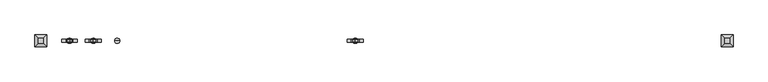
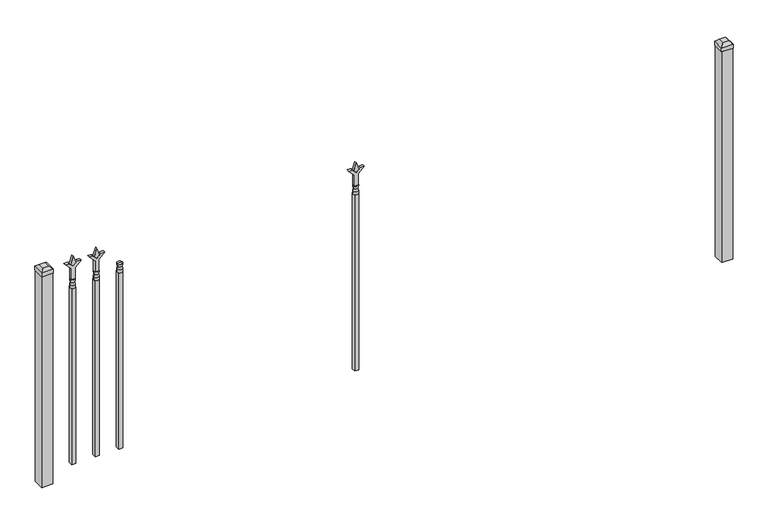
"""IFC4 building model written with IfcOpenShell, lengths in millimetres: railing geometry."""

from ifc_helpers import new_model, si_unit, frame, origin, origin_with_axes, place, context, project, spatial, polyline, circle_curve, outline, extrude, faceted_brep, source, transform, mapped, element, save
from ifc_brep_helpers import plane_surface, cylinder_surface, revolved_surface, advanced_brep


def railing_ffb34f2f(model_context):
    return source(origin(), model_context, "Body", "SolidModel", [
        advanced_brep(
        [(-85367.1035036, -6731.2570174, 927.1), (-85390.9160036, -6731.2570174, 927.1), (-85390.9160036, -6731.2570174, 914.4), (-85367.1035036, -6731.2570174, 914.4), (-85369.3088355, -6731.2570174, 939.6070585), (-85388.7106718, -6731.2570174, 939.6070585), (-85367.1035036, -6731.2570174, 955.675), (-85390.9160036, -6731.2570174, 955.675), (-85379.0097536, -6731.2570174, 955.675), (-85379.0097536, -6731.2570174, 914.4)],
        [
            (0, 1, circle_curve(frame((-85379.0097536, -6731.2570174, 927.1), z_axis=(0.0, 0.0, -1.0), x_axis=(-1.0, 0.0, 0.0)), 11.90625)),
            (1, 2),
            (2, 3, circle_curve(frame((-85379.0097536, -6731.2570174, 914.4), z_axis=(0.0, 0.0, 1.0), x_axis=(-1.0, 0.0, 0.0)), 11.90625)),
            (3, 0),
            (1, 0, circle_curve(frame((-85379.0097536, -6731.2570174, 927.1), z_axis=(0.0, 0.0, -1.0), x_axis=(-1.0, 0.0, 0.0)), 11.90625)),
            (3, 2, circle_curve(frame((-85379.0097536, -6731.2570174, 914.4), z_axis=(0.0, 0.0, 1.0), x_axis=(-1.0, 0.0, 0.0)), 11.90625)),
            (4, 5, circle_curve(frame((-85379.0097536, -6731.2570174, 939.6070585), z_axis=(0.0, 0.0, -1.0), x_axis=(-1.0, 0.0, 0.0)), 9.7009181)),
            (5, 1),
            (0, 4),
            (5, 4, circle_curve(frame((-85379.0097536, -6731.2570174, 939.6070585), z_axis=(0.0, 0.0, -1.0), x_axis=(-1.0, 0.0, 0.0)), 9.7009181)),
            (6, 7, circle_curve(frame((-85379.0097536, -6731.2570174, 955.675), z_axis=(0.0, 0.0, -1.0), x_axis=(-1.0, 0.0, 0.0)), 11.90625)),
            (7, 5),
            (4, 6),
            (7, 6, circle_curve(frame((-85379.0097536, -6731.2570174, 955.675), z_axis=(0.0, 0.0, -1.0), x_axis=(-1.0, 0.0, 0.0)), 11.90625)),
            (8, 7),
            (6, 8),
            (2, 9),
            (9, 3),
        ],
        [
            cylinder_surface(frame((-85379.0097536, -6731.2570174, 914.4), z_axis=(0.0, 0.0, 1.0), x_axis=(-1.0, 0.0, 0.0)), 11.90625),
            revolved_surface(polyline([(-85390.9160036, -6731.2570174, 927.1), (-85388.7106718, -6731.2570174, 939.6070585)]), (-85379.0097536, -6731.2570174, 914.4), (0.0, 0.0, 1.0)),
            revolved_surface(polyline([(-85388.7106718, -6731.2570174, 939.6070585), (-85390.9160036, -6731.2570174, 955.675)]), (-85379.0097536, -6731.2570174, 914.4), (0.0, 0.0, 1.0)),
            plane_surface(frame((-85379.0097536, -6731.2570174, 955.675), z_axis=(0.0, 0.0, 1.0), x_axis=(-1.0, 0.0, 0.0))),
            plane_surface(frame((-85379.0097536, -6731.2570174, 914.4), z_axis=(0.0, 0.0, -1.0), x_axis=(-1.0, 0.0, 0.0))),
        ],
        [
            (0, [[1, 2, 3, 4]]),
            (0, [[5, -4, 6, -2]]),
            (1, [[7, 8, -1, 9]]),
            (1, [[10, -9, -5, -8]]),
            (2, [[11, 12, -7, 13]]),
            (2, [[14, -13, -10, -12]]),
            (3, [[15, -11, 16]]),
            (3, [[-16, -14, -15]]),
            (4, [[-3, 17, 18]]),
            (4, [[-6, -18, -17]]),
        ],
    ),
        extrude(outline(polyline([(-85388.5347536, -6721.7320174), (-85369.4847536, -6721.7320174), (-85369.4847536, -6740.7820174), (-85388.5347536, -6740.7820174), (-85388.5347536, -6721.7320174)])), frame((0.0, 0.0, 50.8), z_axis=(0.0, 0.0, 1.0), x_axis=(1.0, 0.0, 0.0)), (0.0, 0.0, 1.0), 863.6),
        extrude(outline(polyline([(1031.08125, -85476.3764203), (1066.8, -85488.2826703), (1031.08125, -85500.1889203), (1019.175, -85488.2826703), (1031.08125, -85476.3764203)])), frame((0.0, -6736.0195174, 0.0), z_axis=(0.0, 1.0, 0.0), x_axis=(0.0, 0.0, 1.0)), (0.0, 0.0, 1.0), 9.525),
        extrude(outline(polyline([(955.675, -85479.5514203), (1009.9457378, -85479.5514203), (1037.1355122, -85452.3616458), (1037.1355122, -85470.3221581), (1019.175, -85488.2826703), (1037.1355122, -85506.2431825), (1037.1355122, -85524.2036948), (1009.9457378, -85497.0139203), (955.675, -85497.0139203), (955.675, -85479.5514203)])), frame((0.0, -6737.6070174, 0.0), z_axis=(0.0, 1.0, 0.0), x_axis=(0.0, 0.0, 1.0)), (0.0, 0.0, 1.0), 12.7),
        advanced_brep(
        [(-85476.3764203, -6731.2570174, 927.1), (-85500.1889203, -6731.2570174, 927.1), (-85500.1889203, -6731.2570174, 914.4), (-85476.3764203, -6731.2570174, 914.4), (-85478.5817522, -6731.2570174, 939.6070585), (-85497.9835884, -6731.2570174, 939.6070585), (-85476.3764203, -6731.2570174, 955.675), (-85500.1889203, -6731.2570174, 955.675), (-85488.2826703, -6731.2570174, 955.675), (-85488.2826703, -6731.2570174, 914.4)],
        [
            (0, 1, circle_curve(frame((-85488.2826703, -6731.2570174, 927.1), z_axis=(0.0, 0.0, -1.0), x_axis=(-1.0, 0.0, 0.0)), 11.90625)),
            (1, 2),
            (2, 3, circle_curve(frame((-85488.2826703, -6731.2570174, 914.4), z_axis=(0.0, 0.0, 1.0), x_axis=(-1.0, 0.0, 0.0)), 11.90625)),
            (3, 0),
            (1, 0, circle_curve(frame((-85488.2826703, -6731.2570174, 927.1), z_axis=(0.0, 0.0, -1.0), x_axis=(-1.0, 0.0, 0.0)), 11.90625)),
            (3, 2, circle_curve(frame((-85488.2826703, -6731.2570174, 914.4), z_axis=(0.0, 0.0, 1.0), x_axis=(-1.0, 0.0, 0.0)), 11.90625)),
            (4, 5, circle_curve(frame((-85488.2826703, -6731.2570174, 939.6070585), z_axis=(0.0, 0.0, -1.0), x_axis=(-1.0, 0.0, 0.0)), 9.7009181)),
            (5, 1),
            (0, 4),
            (5, 4, circle_curve(frame((-85488.2826703, -6731.2570174, 939.6070585), z_axis=(0.0, 0.0, -1.0), x_axis=(-1.0, 0.0, 0.0)), 9.7009181)),
            (6, 7, circle_curve(frame((-85488.2826703, -6731.2570174, 955.675), z_axis=(0.0, 0.0, -1.0), x_axis=(-1.0, 0.0, 0.0)), 11.90625)),
            (7, 5),
            (4, 6),
            (7, 6, circle_curve(frame((-85488.2826703, -6731.2570174, 955.675), z_axis=(0.0, 0.0, -1.0), x_axis=(-1.0, 0.0, 0.0)), 11.90625)),
            (8, 7),
            (6, 8),
            (2, 9),
            (9, 3),
        ],
        [
            cylinder_surface(frame((-85488.2826703, -6731.2570174, 914.4), z_axis=(0.0, 0.0, 1.0), x_axis=(-1.0, 0.0, 0.0)), 11.90625),
            revolved_surface(polyline([(-85500.1889203, -6731.2570174, 927.1), (-85497.9835884, -6731.2570174, 939.6070585)]), (-85488.2826703, -6731.2570174, 914.4), (0.0, 0.0, 1.0)),
            revolved_surface(polyline([(-85497.9835884, -6731.2570174, 939.6070585), (-85500.1889203, -6731.2570174, 955.675)]), (-85488.2826703, -6731.2570174, 914.4), (0.0, 0.0, 1.0)),
            plane_surface(frame((-85488.2826703, -6731.2570174, 955.675), z_axis=(0.0, 0.0, 1.0), x_axis=(-1.0, 0.0, 0.0))),
            plane_surface(frame((-85488.2826703, -6731.2570174, 914.4), z_axis=(0.0, 0.0, -1.0), x_axis=(-1.0, 0.0, 0.0))),
        ],
        [
            (0, [[1, 2, 3, 4]]),
            (0, [[5, -4, 6, -2]]),
            (1, [[7, 8, -1, 9]]),
            (1, [[10, -9, -5, -8]]),
            (2, [[11, 12, -7, 13]]),
            (2, [[14, -13, -10, -12]]),
            (3, [[15, -11, 16]]),
            (3, [[-16, -14, -15]]),
            (4, [[-3, 17, 18]]),
            (4, [[-6, -18, -17]]),
        ],
    ),
        extrude(outline(polyline([(-85497.8076703, -6721.7320174), (-85478.7576703, -6721.7320174), (-85478.7576703, -6740.7820174), (-85497.8076703, -6740.7820174), (-85497.8076703, -6721.7320174)])), frame((0.0, 0.0, 50.8), z_axis=(0.0, 0.0, 1.0), x_axis=(1.0, 0.0, 0.0)), (0.0, 0.0, 1.0), 863.6),
        extrude(outline(polyline([(1031.08125, -84274.374337), (1066.8, -84286.280587), (1031.08125, -84298.186837), (1019.175, -84286.280587), (1031.08125, -84274.374337)])), frame((0.0, -6736.0195174, 0.0), z_axis=(0.0, 1.0, 0.0), x_axis=(0.0, 0.0, 1.0)), (0.0, 0.0, 1.0), 9.525),
        extrude(outline(polyline([(955.675, -84277.549337), (1009.9457378, -84277.549337), (1037.1355122, -84250.3595625), (1037.1355122, -84268.3200747), (1019.175, -84286.280587), (1037.1355122, -84304.2410992), (1037.1355122, -84322.2016114), (1009.9457378, -84295.011837), (955.675, -84295.011837), (955.675, -84277.549337)])), frame((0.0, -6737.6070174, 0.0), z_axis=(0.0, 1.0, 0.0), x_axis=(0.0, 0.0, 1.0)), (0.0, 0.0, 1.0), 12.7),
        advanced_brep(
        [(-84274.374337, -6731.2570174, 927.1), (-84298.186837, -6731.2570174, 927.1), (-84298.186837, -6731.2570174, 914.4), (-84274.374337, -6731.2570174, 914.4), (-84276.5796688, -6731.2570174, 939.6070585), (-84295.9815051, -6731.2570174, 939.6070585), (-84274.374337, -6731.2570174, 955.675), (-84298.186837, -6731.2570174, 955.675), (-84286.280587, -6731.2570174, 955.675), (-84286.280587, -6731.2570174, 914.4)],
        [
            (0, 1, circle_curve(frame((-84286.280587, -6731.2570174, 927.1), z_axis=(0.0, 0.0, -1.0), x_axis=(-1.0, 0.0, 0.0)), 11.90625)),
            (1, 2),
            (2, 3, circle_curve(frame((-84286.280587, -6731.2570174, 914.4), z_axis=(0.0, 0.0, 1.0), x_axis=(-1.0, 0.0, 0.0)), 11.90625)),
            (3, 0),
            (1, 0, circle_curve(frame((-84286.280587, -6731.2570174, 927.1), z_axis=(0.0, 0.0, -1.0), x_axis=(-1.0, 0.0, 0.0)), 11.90625)),
            (3, 2, circle_curve(frame((-84286.280587, -6731.2570174, 914.4), z_axis=(0.0, 0.0, 1.0), x_axis=(-1.0, 0.0, 0.0)), 11.90625)),
            (4, 5, circle_curve(frame((-84286.280587, -6731.2570174, 939.6070585), z_axis=(0.0, 0.0, -1.0), x_axis=(-1.0, 0.0, 0.0)), 9.7009181)),
            (5, 1),
            (0, 4),
            (5, 4, circle_curve(frame((-84286.280587, -6731.2570174, 939.6070585), z_axis=(0.0, 0.0, -1.0), x_axis=(-1.0, 0.0, 0.0)), 9.7009181)),
            (6, 7, circle_curve(frame((-84286.280587, -6731.2570174, 955.675), z_axis=(0.0, 0.0, -1.0), x_axis=(-1.0, 0.0, 0.0)), 11.90625)),
            (7, 5),
            (4, 6),
            (7, 6, circle_curve(frame((-84286.280587, -6731.2570174, 955.675), z_axis=(0.0, 0.0, -1.0), x_axis=(-1.0, 0.0, 0.0)), 11.90625)),
            (8, 7),
            (6, 8),
            (2, 9),
            (9, 3),
        ],
        [
            cylinder_surface(frame((-84286.280587, -6731.2570174, 914.4), z_axis=(0.0, 0.0, 1.0), x_axis=(-1.0, 0.0, 0.0)), 11.90625),
            revolved_surface(polyline([(-84298.186837, -6731.2570174, 927.1), (-84295.9815051, -6731.2570174, 939.6070585)]), (-84286.280587, -6731.2570174, 914.4), (0.0, 0.0, 1.0)),
            revolved_surface(polyline([(-84295.9815051, -6731.2570174, 939.6070585), (-84298.186837, -6731.2570174, 955.675)]), (-84286.280587, -6731.2570174, 914.4), (0.0, 0.0, 1.0)),
            plane_surface(frame((-84286.280587, -6731.2570174, 955.675), z_axis=(0.0, 0.0, 1.0), x_axis=(-1.0, 0.0, 0.0))),
            plane_surface(frame((-84286.280587, -6731.2570174, 914.4), z_axis=(0.0, 0.0, -1.0), x_axis=(-1.0, 0.0, 0.0))),
        ],
        [
            (0, [[1, 2, 3, 4]]),
            (0, [[5, -4, 6, -2]]),
            (1, [[7, 8, -1, 9]]),
            (1, [[10, -9, -5, -8]]),
            (2, [[11, 12, -7, 13]]),
            (2, [[14, -13, -10, -12]]),
            (3, [[15, -11, 16]]),
            (3, [[-16, -14, -15]]),
            (4, [[-3, 17, 18]]),
            (4, [[-6, -18, -17]]),
        ],
    ),
        extrude(outline(polyline([(-84295.805587, -6721.7320174), (-84276.755587, -6721.7320174), (-84276.755587, -6740.7820174), (-84295.805587, -6740.7820174), (-84295.805587, -6721.7320174)])), frame((0.0, 0.0, 50.8), z_axis=(0.0, 0.0, 1.0), x_axis=(1.0, 0.0, 0.0)), (0.0, 0.0, 1.0), 863.6),
        extrude(outline(polyline([(1031.08125, -85585.649337), (1066.8, -85597.555587), (1031.08125, -85609.461837), (1019.175, -85597.555587), (1031.08125, -85585.649337)])), frame((0.0, -6736.0195174, 0.0), z_axis=(0.0, 1.0, 0.0), x_axis=(0.0, 0.0, 1.0)), (0.0, 0.0, 1.0), 9.525),
        extrude(outline(polyline([(955.675, -85588.824337), (1009.9457378, -85588.824337), (1037.1355122, -85561.6345625), (1037.1355122, -85579.5950747), (1019.175, -85597.555587), (1037.1355122, -85615.5160992), (1037.1355122, -85633.4766114), (1009.9457378, -85606.286837), (955.675, -85606.286837), (955.675, -85588.824337)])), frame((0.0, -6737.6070174, 0.0), z_axis=(0.0, 1.0, 0.0), x_axis=(0.0, 0.0, 1.0)), (0.0, 0.0, 1.0), 12.7),
        advanced_brep(
        [(-85585.649337, -6731.2570174, 927.1), (-85609.461837, -6731.2570174, 927.1), (-85609.461837, -6731.2570174, 914.4), (-85585.649337, -6731.2570174, 914.4), (-85587.8546688, -6731.2570174, 939.6070585), (-85607.2565051, -6731.2570174, 939.6070585), (-85585.649337, -6731.2570174, 955.675), (-85609.461837, -6731.2570174, 955.675), (-85597.555587, -6731.2570174, 955.675), (-85597.555587, -6731.2570174, 914.4)],
        [
            (0, 1, circle_curve(frame((-85597.555587, -6731.2570174, 927.1), z_axis=(0.0, 0.0, -1.0), x_axis=(-1.0, 0.0, 0.0)), 11.90625)),
            (1, 2),
            (2, 3, circle_curve(frame((-85597.555587, -6731.2570174, 914.4), z_axis=(0.0, 0.0, 1.0), x_axis=(-1.0, 0.0, 0.0)), 11.90625)),
            (3, 0),
            (1, 0, circle_curve(frame((-85597.555587, -6731.2570174, 927.1), z_axis=(0.0, 0.0, -1.0), x_axis=(-1.0, 0.0, 0.0)), 11.90625)),
            (3, 2, circle_curve(frame((-85597.555587, -6731.2570174, 914.4), z_axis=(0.0, 0.0, 1.0), x_axis=(-1.0, 0.0, 0.0)), 11.90625)),
            (4, 5, circle_curve(frame((-85597.555587, -6731.2570174, 939.6070585), z_axis=(0.0, 0.0, -1.0), x_axis=(-1.0, 0.0, 0.0)), 9.7009181)),
            (5, 1),
            (0, 4),
            (5, 4, circle_curve(frame((-85597.555587, -6731.2570174, 939.6070585), z_axis=(0.0, 0.0, -1.0), x_axis=(-1.0, 0.0, 0.0)), 9.7009181)),
            (6, 7, circle_curve(frame((-85597.555587, -6731.2570174, 955.675), z_axis=(0.0, 0.0, -1.0), x_axis=(-1.0, 0.0, 0.0)), 11.90625)),
            (7, 5),
            (4, 6),
            (7, 6, circle_curve(frame((-85597.555587, -6731.2570174, 955.675), z_axis=(0.0, 0.0, -1.0), x_axis=(-1.0, 0.0, 0.0)), 11.90625)),
            (8, 7),
            (6, 8),
            (2, 9),
            (9, 3),
        ],
        [
            cylinder_surface(frame((-85597.555587, -6731.2570174, 914.4), z_axis=(0.0, 0.0, 1.0), x_axis=(-1.0, 0.0, 0.0)), 11.90625),
            revolved_surface(polyline([(-85609.461837, -6731.2570174, 927.1), (-85607.2565051, -6731.2570174, 939.6070585)]), (-85597.555587, -6731.2570174, 914.4), (0.0, 0.0, 1.0)),
            revolved_surface(polyline([(-85607.2565051, -6731.2570174, 939.6070585), (-85609.461837, -6731.2570174, 955.675)]), (-85597.555587, -6731.2570174, 914.4), (0.0, 0.0, 1.0)),
            plane_surface(frame((-85597.555587, -6731.2570174, 955.675), z_axis=(0.0, 0.0, 1.0), x_axis=(-1.0, 0.0, 0.0))),
            plane_surface(frame((-85597.555587, -6731.2570174, 914.4), z_axis=(0.0, 0.0, -1.0), x_axis=(-1.0, 0.0, 0.0))),
        ],
        [
            (0, [[1, 2, 3, 4]]),
            (0, [[5, -4, 6, -2]]),
            (1, [[7, 8, -1, 9]]),
            (1, [[10, -9, -5, -8]]),
            (2, [[11, 12, -7, 13]]),
            (2, [[14, -13, -10, -12]]),
            (3, [[15, -11, 16]]),
            (3, [[-16, -14, -15]]),
            (4, [[-3, 17, 18]]),
            (4, [[-6, -18, -17]]),
        ],
    ),
        extrude(outline(polyline([(-85607.080587, -6721.7320174), (-85588.030587, -6721.7320174), (-85588.030587, -6740.7820174), (-85607.080587, -6740.7820174), (-85607.080587, -6721.7320174)])), frame((0.0, 0.0, 50.8), z_axis=(0.0, 0.0, 1.0), x_axis=(1.0, 0.0, 0.0)), (0.0, 0.0, 1.0), 863.6),
        faceted_brep([(-82606.705587, -6704.2695174, 1054.1), (-82606.705587, -6704.2695174, 1035.05), (-82606.705587, -6758.2445174, 1035.05), (-82606.705587, -6758.2445174, 1054.1), (-82594.005587, -6716.9695174, 1066.8), (-82594.005587, -6745.5445174, 1066.8), (-82552.730587, -6758.2445174, 1035.05), (-82552.730587, -6758.2445174, 1054.1), (-82565.430587, -6745.5445174, 1066.8), (-82552.730587, -6704.2695174, 1035.05), (-82552.730587, -6704.2695174, 1054.1), (-82565.430587, -6716.9695174, 1066.8)], [[[0, 1, 2, 3]], [[4, 0, 3, 5]], [[3, 2, 6, 7]], [[5, 3, 7, 8]], [[7, 6, 9, 10]], [[8, 7, 10, 11]], [[10, 9, 1, 0]], [[11, 10, 0, 4]], [[5, 8, 11, 4]], [[1, 9, 6, 2]]]),
        extrude(outline(polyline([(-82554.318087, -6705.8570174), (-82554.318087, -6756.6570174), (-82605.118087, -6756.6570174), (-82605.118087, -6705.8570174), (-82554.318087, -6705.8570174)])), origin_with_axes(), (0.0, 0.0, 1.0), 1035.05),
        faceted_brep([(-85756.305587, -6704.2695174, 1054.1), (-85756.305587, -6704.2695174, 1035.05), (-85756.305587, -6758.2445174, 1035.05), (-85756.305587, -6758.2445174, 1054.1), (-85743.605587, -6716.9695174, 1066.8), (-85743.605587, -6745.5445174, 1066.8), (-85702.330587, -6758.2445174, 1035.05), (-85702.330587, -6758.2445174, 1054.1), (-85715.030587, -6745.5445174, 1066.8), (-85702.330587, -6704.2695174, 1035.05), (-85702.330587, -6704.2695174, 1054.1), (-85715.030587, -6716.9695174, 1066.8)], [[[0, 1, 2, 3]], [[4, 0, 3, 5]], [[3, 2, 6, 7]], [[5, 3, 7, 8]], [[7, 6, 9, 10]], [[8, 7, 10, 11]], [[10, 9, 1, 0]], [[11, 10, 0, 4]], [[5, 8, 11, 4]], [[1, 9, 6, 2]]]),
        extrude(outline(polyline([(-85703.918087, -6705.8570174), (-85703.918087, -6756.6570174), (-85754.718087, -6756.6570174), (-85754.718087, -6705.8570174), (-85703.918087, -6705.8570174)])), origin_with_axes(), (0.0, 0.0, 1.0), 1035.05),
    ])


if __name__ == "__main__":
    model = new_model("IFC4")
    model_context = context("Model", 3, world=origin())
    ifc_project = project(units=[si_unit("LENGTHUNIT", "METRE", prefix="MILLI")], contexts=[model_context])
    site = spatial("IfcSite", under=ifc_project)
    building = spatial("IfcBuilding", under=site)
    placement = place(None, origin())
    railing_shape = railing_ffb34f2f(model_context)
    element("IfcRailing", 1, at=placement, inside=building, context=model_context, shape_type="MappedRepresentation", body=[
        mapped(railing_shape, transform((0.0, 0.0, 0.0), x_axis=(1.0, 0.0, 0.0), y_axis=(0.0, 1.0, 0.0), z_axis=(0.0, 0.0, 1.0))),
    ])
    save(model, "model.ifc")
